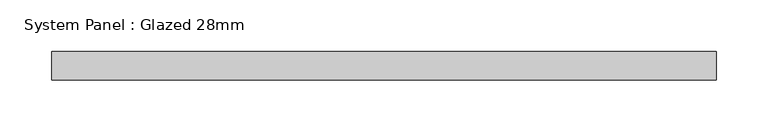
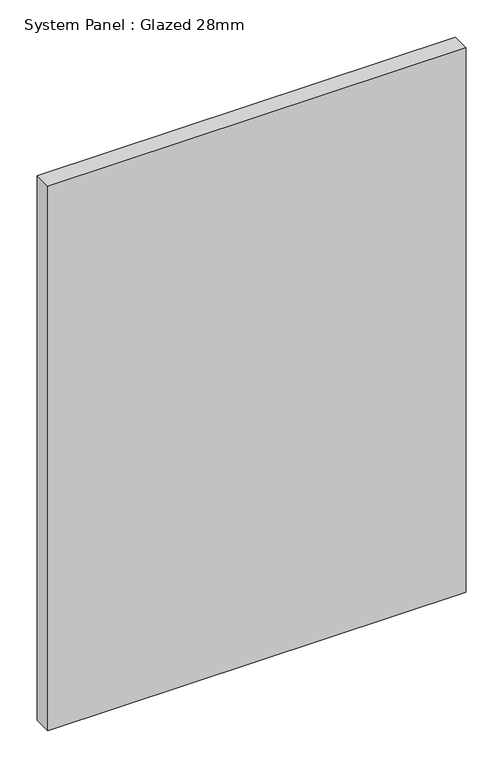
"""IFC4 building model written with IfcOpenShell, lengths in millimetres: plate geometry, System Panel : Glazed 28mm."""

from ifc_helpers import new_model, si_unit, origin, origin_with_axes, place, context, project, spatial, polyline, outline, extrude, source, transform, mapped, element, save


def system_panel_glazed_28mm_8e634170(model_context):
    return source(origin(), model_context, "Body", "SweptSolid", [
        extrude(outline(polyline([(322.5586443, -14.0), (-322.5586443, -14.0), (-322.5586443, 14.0), (322.5586443, 14.0), (322.5586443, -14.0)])), origin_with_axes(), (0.0, 0.0, 1.0), 887.6852275),
    ])


if __name__ == "__main__":
    model = new_model("IFC4")
    model_context = context("Model", 3, world=origin())
    ifc_project = project(units=[si_unit("LENGTHUNIT", "METRE", prefix="MILLI")], contexts=[model_context])
    site = spatial("IfcSite", under=ifc_project)
    building = spatial("IfcBuilding", under=site)
    placement = place(None, origin())
    system_panel_glazed_28mm_shape = system_panel_glazed_28mm_8e634170(model_context)
    element("IfcPlate", 1, ObjectType="System Panel : Glazed 28mm", at=placement, inside=building, context=model_context, shape_type="MappedRepresentation", body=[
        mapped(system_panel_glazed_28mm_shape, transform((0.0, 0.0, 0.0), x_axis=(1.0, 0.0, 0.0), y_axis=(0.0, 1.0, 0.0), z_axis=(0.0, 0.0, 1.0))),
    ])
    save(model, "model.ifc")
